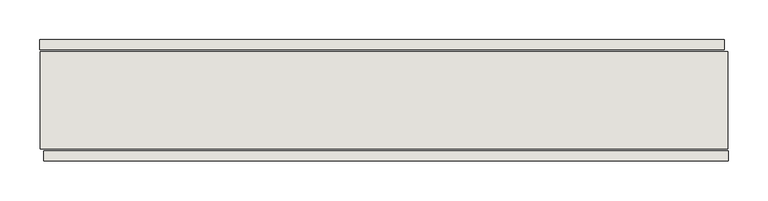
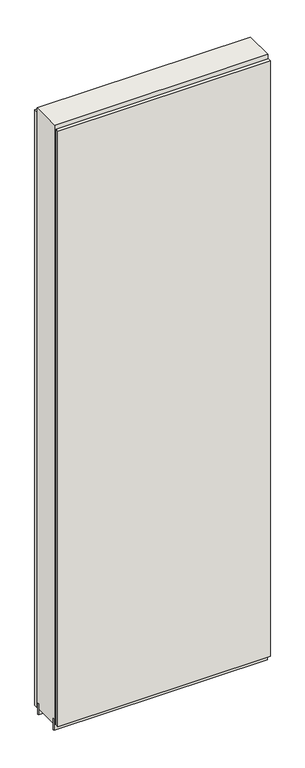
"""IFC4 building model written with IfcOpenShell, lengths in millimetres: wall geometry."""

from ifc_helpers import new_model, si_unit, frame, origin, place, context, project, spatial, polyline, outline, extrude, source, transform, mapped, element, save


def wall_1309f5f5(model_context):
    return source(origin(), model_context, "Body", "SweptSolid", [
        extrude(outline(polyline([(54148.0015336, -39389.1845692), (54150.5415336, -39389.1845692), (54150.5415336, -39391.7245692), (54148.0015336, -39391.7245692), (54148.0015336, -39389.1845692)])), frame((0.0, 0.0, 4419.6), z_axis=(0.0, 0.0, 1.0), x_axis=(1.0, 0.0, 0.0)), (0.0, 0.0, 1.0), 2.54),
        extrude(outline(polyline([(54151.0108494, -39466.6545692), (53291.4108414, -39466.6545692), (53291.4108414, -39453.9545692), (54151.0108494, -39453.9545692), (54151.0108494, -39466.6545692)])), frame((0.0, 0.0, 4445.0), z_axis=(0.0, 0.0, 1.0), x_axis=(1.0, 0.0, 0.0)), (0.0, 0.0, 1.0), 2545.0498756),
        extrude(outline(polyline([(53286.474707, -39314.2545692), (54146.074715, -39314.2545692), (54146.074715, -39326.9545692), (53286.474707, -39326.9545692), (53286.474707, -39314.2545692)])), frame((0.0, 0.0, 4445.0), z_axis=(0.0, 0.0, 1.0), x_axis=(1.0, 0.0, 0.0)), (0.0, 0.0, 1.0), 2545.0498756),
        extrude(outline(polyline([(53286.9365806, -39442.1351364), (54150.5365806, -39442.1351364), (54150.5365806, -39447.2169906), (53286.9365806, -39447.2169906), (53286.9365806, -39442.1351364)])), frame((0.0, 0.0, 4418.6602), z_axis=(0.0, 0.0, 1.0), x_axis=(1.0, 0.0, 0.0)), (0.0, 0.0, 1.0), 47.625),
        extrude(outline(polyline([(53286.9365806, -39442.1351364), (54150.5365806, -39442.1351364), (54150.5365806, -39447.2169906), (53286.9365806, -39447.2169906), (53286.9365806, -39442.1351364)])), frame((0.0, 0.0, 4418.6602), z_axis=(0.0, 0.0, 1.0), x_axis=(1.0, 0.0, 0.0)), (0.0, 0.0, 1.0), 47.625),
        extrude(outline(polyline([(54150.5365806, -39338.758508), (53286.9365806, -39338.758508), (53286.9365806, -39333.6766284), (54150.5365806, -39333.6766284), (54150.5365806, -39338.758508)])), frame((0.0, 0.0, 4418.6602), z_axis=(0.0, 0.0, 1.0), x_axis=(1.0, 0.0, 0.0)), (0.0, 0.0, 1.0), 47.625),
        extrude(outline(polyline([(54150.5365806, -39338.758508), (53286.9365806, -39338.758508), (53286.9365806, -39333.6766284), (54150.5365806, -39333.6766284), (54150.5365806, -39338.758508)])), frame((0.0, 0.0, 4418.6602), z_axis=(0.0, 0.0, 1.0), x_axis=(1.0, 0.0, 0.0)), (0.0, 0.0, 1.0), 47.625),
        extrude(outline(polyline([(53286.9365806, -39451.4058824), (53286.9365806, -39329.4877366), (54150.5365806, -39329.4877366), (54150.5365806, -39451.4058824), (53286.9365806, -39451.4058824)])), frame((0.0, 0.0, 4445.0), z_axis=(0.0, 0.0, 1.0), x_axis=(1.0, 0.0, 0.0)), (0.0, 0.0, 1.0), 2562.4536762),
    ])


if __name__ == "__main__":
    model = new_model("IFC4")
    model_context = context("Model", 3, world=origin())
    ifc_project = project(units=[si_unit("LENGTHUNIT", "METRE", prefix="MILLI")], contexts=[model_context])
    site = spatial("IfcSite", under=ifc_project)
    building = spatial("IfcBuilding", under=site)
    placement = place(None, origin())
    wall_shape = wall_1309f5f5(model_context)
    element("IfcWall", 1, at=placement, inside=building, context=model_context, shape_type="MappedRepresentation", body=[
        mapped(wall_shape, transform((0.0, 0.0, 0.0), x_axis=(1.0, 0.0, 0.0), y_axis=(0.0, 1.0, 0.0), z_axis=(0.0, 0.0, 1.0))),
    ])
    save(model, "model.ifc")
